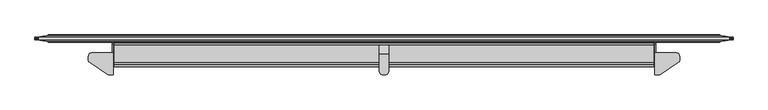
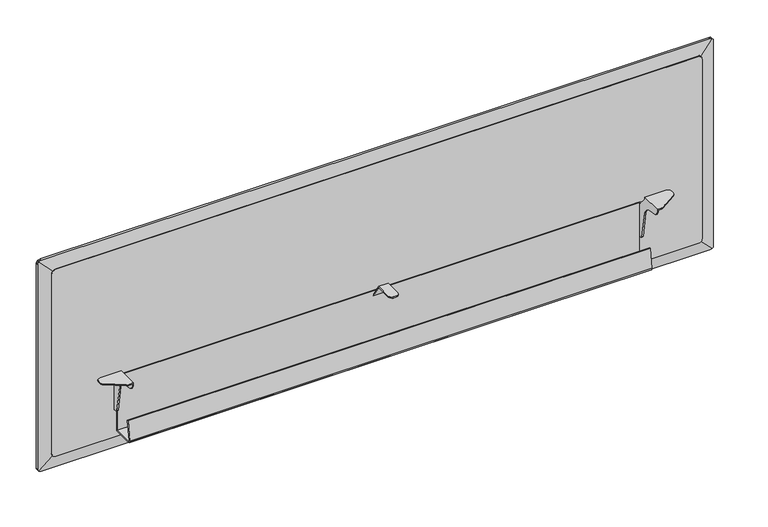
"""IFC4 building model written with IfcOpenShell, lengths in millimetres: furniture geometry."""

import ifcopenshell
import ifcopenshell.guid

model = None  # the IFC model being written
_history = None  # IfcOwnerHistory: only IFC2X3 demands one
_inside = {}  # id of a spatial element -> (the spatial element, [elements in it])
_under = {}  # id of a project, library or spatial element -> (it, [spatial elements below it])
_declared = {}  # id of a project -> (the project, [libraries it declares])
_typed = {}  # id of a type object -> (the type object, [elements of that type])
_made_of = {}  # id of a material, layer set ... -> (it, [elements and type objects made of it])


def new_model(schema):
    """Start an empty IFC model of exactly this schema.

    Asked for "IFC4X3", IfcOpenShell would pick the latest addendum, in which some entities
    have other attributes; the version numbers below select the first issue.
    IFC2X3 requires an IfcOwnerHistory on every rooted entity: one is made here for all.
    """
    global model, _history
    if schema == "IFC4X3":
        model = ifcopenshell.file(schema_version=(4, 3, 0, 0))
    else:
        model = ifcopenshell.file(schema=schema)
    _inside.clear()
    _under.clear()
    _declared.clear()
    _typed.clear()
    _made_of.clear()
    _history = None
    if model.schema == "IFC2X3":
        org = make("IfcOrganization", Name="unknown")
        user = make(
            "IfcPersonAndOrganization",
            ThePerson=make("IfcPerson", FamilyName="unknown"),
            TheOrganization=org,
        )
        app = make(
            "IfcApplication",
            ApplicationDeveloper=org,
            Version="unknown",
            ApplicationFullName="unknown",
            ApplicationIdentifier="unknown",
        )
        _history = make(
            "IfcOwnerHistory",
            OwningUser=user,
            OwningApplication=app,
            ChangeAction="ADDED",
            CreationDate=0,
        )
    return model


def make(cls, **values):
    """One entity of the class cls with the attributes given. An attribute that is None is left unset."""
    return model.create_entity(
        cls, **{name: value for name, value in values.items() if value is not None}
    )


def rooted(cls, **values):
    """An entity with a GlobalId (a new one), such as an element, a storey or a relation."""
    return make(cls, GlobalId=ifcopenshell.guid.new(), OwnerHistory=_history, **values)


def si_unit(unit_type, name, prefix=None):
    """IfcSIUnit, for example si_unit("LENGTHUNIT", "METRE", prefix="MILLI")."""
    return make("IfcSIUnit", UnitType=unit_type, Prefix=prefix, Name=name)


def assignment(units):
    """IfcUnitAssignment: the units of a project."""
    return None if units is None else make("IfcUnitAssignment", Units=units)


def point(xyz):
    """IfcCartesianPoint."""
    return None if xyz is None else make("IfcCartesianPoint", Coordinates=xyz)


def direction(xyz):
    """IfcDirection."""
    return None if xyz is None else make("IfcDirection", DirectionRatios=xyz)


def frame(location, z_axis=None, x_axis=None):
    """IfcAxis2Placement3D, a coordinate frame: its origin and axes. An axis left out is left unset."""
    return make(
        "IfcAxis2Placement3D",
        Location=point(location),
        Axis=direction(z_axis),
        RefDirection=direction(x_axis),
    )


def origin():
    """The frame at (0, 0, 0) with its axes left unset."""
    return frame((0.0, 0.0, 0.0))


def place(relative_to, where):
    """IfcLocalPlacement: puts the frame where relative to a parent placement (None: the world)."""
    return make(
        "IfcLocalPlacement", PlacementRelTo=relative_to, RelativePlacement=where
    )


def context(
    kind, dimensions, precision=None, world=None, true_north=None, identifier=None
):
    """IfcGeometricRepresentationContext, for example the 3D "Model" context."""
    return make(
        "IfcGeometricRepresentationContext",
        ContextIdentifier=identifier,
        ContextType=kind,
        CoordinateSpaceDimension=dimensions,
        Precision=precision,
        WorldCoordinateSystem=world,
        TrueNorth=true_north,
    )


def project(units=None, contexts=None):
    """IfcProject with its units and contexts."""
    return rooted(
        "IfcProject",
        Name="project",
        RepresentationContexts=contexts,
        UnitsInContext=assignment(units),
    )


def spatial(cls, under=None, at=None, **own):
    """A site, building, storey or space (cls), placed at a placement, below another one or the project."""
    s = rooted(cls, ObjectPlacement=at, **own)
    if under is not None:
        _under.setdefault(under.id(), (under, []))[1].append(s)
    return s


def polyline(points):
    """IfcPolyline through the points."""
    return make("IfcPolyline", Points=[point(p) for p in points])


def outline(outer, holes=None, kind="AREA"):
    """IfcArbitraryClosedProfileDef: a profile drawn as a closed curve; with holes, ...WithVoids."""
    if holes is None:
        return make("IfcArbitraryClosedProfileDef", ProfileType=kind, OuterCurve=outer)
    return make(
        "IfcArbitraryProfileDefWithVoids",
        ProfileType=kind,
        OuterCurve=outer,
        InnerCurves=holes,
    )


def extrude(swept, where, along, depth):
    """IfcExtrudedAreaSolid: the profile swept, set in the frame where, extruded along a direction by depth."""
    return make(
        "IfcExtrudedAreaSolid",
        SweptArea=swept,
        Position=where,
        ExtrudedDirection=direction(along),
        Depth=depth,
    )


def faces_of(points, faces, orient=None, outer=None):
    """IfcFace entities. A face is a list of loops; a loop is a list of indices into points, from 0.

    orient and outer hold one flag for each loop. By default every Orientation is true, the
    first loop of a face is its IfcFaceOuterBound and the others are IfcFaceBound.
    """
    made = []
    for i, loops in enumerate(faces):
        bounds = []
        for j, loop in enumerate(loops):
            is_outer = j == 0 if outer is None else outer[i][j]
            bounds.append(
                make(
                    "IfcFaceOuterBound" if is_outer else "IfcFaceBound",
                    Bound=make("IfcPolyLoop", Polygon=[points[k] for k in loop]),
                    Orientation=True if orient is None else orient[i][j],
                )
            )
        made.append(make("IfcFace", Bounds=bounds))
    return made


def faceted_brep(points, faces, orient=None, outer=None, voids=None):
    """IfcFacetedBrep: a solid bounded by flat faces; with voids (closed shells), ...WithVoids."""
    shared = [point(p) for p in points]
    hull = make("IfcClosedShell", CfsFaces=faces_of(shared, faces, orient, outer))
    if voids is None:
        return make("IfcFacetedBrep", Outer=hull)
    return make(
        "IfcFacetedBrepWithVoids",
        Outer=hull,
        Voids=[
            make(cls, CfsFaces=faces_of(shared, fs, o, b)) for cls, fs, o, b in voids
        ],
    )


def shape(context_of_items, identifier, shape_type, items):
    """IfcShapeRepresentation: the items that make up one representation, for example the "Body"."""
    return make(
        "IfcShapeRepresentation",
        ContextOfItems=context_of_items,
        RepresentationIdentifier=identifier,
        RepresentationType=shape_type,
        Items=items,
    )


def source(mapping_origin, context_of_items, identifier, shape_type, items):
    """IfcRepresentationMap: a shape defined once, which mapped items show again and again."""
    return make(
        "IfcRepresentationMap",
        MappingOrigin=mapping_origin,
        MappedRepresentation=shape(context_of_items, identifier, shape_type, items),
    )


def transform(
    local_origin,
    x_axis=None,
    y_axis=None,
    z_axis=None,
    scale=None,
    scale2=None,
    scale3=None,
    uniform=True,
):
    """IfcCartesianTransformationOperator3D, or its non-uniform kind. x_axis, y_axis, z_axis: its Axis1, 2, 3."""
    if uniform:
        return make(
            "IfcCartesianTransformationOperator3D",
            Axis1=direction(x_axis),
            Axis2=direction(y_axis),
            LocalOrigin=point(local_origin),
            Scale=scale,
            Axis3=direction(z_axis),
        )
    return make(
        "IfcCartesianTransformationOperator3DnonUniform",
        Axis1=direction(x_axis),
        Axis2=direction(y_axis),
        LocalOrigin=point(local_origin),
        Scale=scale,
        Axis3=direction(z_axis),
        Scale2=scale2,
        Scale3=scale3,
    )


def mapped(mapping_source, mapping_target):
    """IfcMappedItem: shows the shape of a source again, moved by a transform."""
    return make(
        "IfcMappedItem", MappingSource=mapping_source, MappingTarget=mapping_target
    )


def made_of(thing, what):
    """Note that an element or type object is made of a material, layer set ...; save() writes the relation."""
    if what is not None:
        _made_of.setdefault(what.id(), (what, []))[1].append(thing)
    return thing


def element(
    cls,
    number,
    at=None,
    inside=None,
    cuts=None,
    type_object=None,
    material=None,
    context=None,
    identifier="Body",
    shape_type=None,
    held_by="IfcProductDefinitionShape",
    body=None,
    shapes=None,
    **own,
):
    """One element of the class cls, such as IfcWall. Its Tag is "e" and its number.

    at: its placement. inside: the storey or other place that contains it. cuts: it is an
    opening in that element (IfcRelVoidsElement). A single representation is given by context,
    identifier, shape_type and body (its items); several are given by shapes. held_by: the class
    of the entity that holds the representations. save() writes the other relations.
    """
    e = rooted(cls, Tag="e%d" % number, ObjectPlacement=at, **own)
    if body is not None:
        shapes = [shape(context, identifier, shape_type, body)]
    if shapes is not None:
        e.Representation = make(held_by, Representations=shapes)
    if inside is not None:
        _inside.setdefault(inside.id(), (inside, []))[1].append(e)
    if cuts is not None:
        rooted(
            "IfcRelVoidsElement", RelatingBuildingElement=cuts, RelatedOpeningElement=e
        )
    if type_object is not None:
        _typed.setdefault(type_object.id(), (type_object, []))[1].append(e)
    return made_of(e, material)


def aggregate(whole, parts):
    """IfcRelAggregates: a whole, such as a stair, and the parts it consists of."""
    return rooted("IfcRelAggregates", RelatingObject=whole, RelatedObjects=parts)


def save(model, path):
    """Write the relations noted so far, then the file.

    IfcRelAggregates (storeys below a building ...), IfcRelContainedInSpatialStructure (elements
    in a storey), IfcRelDefinesByType, IfcRelAssociatesMaterial and IfcRelDeclares: one each for
    every whole, place, type object, material and project.
    """
    for whole, parts in _under.values():
        aggregate(whole, parts)
    for where, things in _inside.values():
        rooted(
            "IfcRelContainedInSpatialStructure",
            RelatedElements=things,
            RelatingStructure=where,
        )
    for kind, things in _typed.values():
        rooted("IfcRelDefinesByType", RelatedObjects=things, RelatingType=kind)
    for what, things in _made_of.values():
        rooted("IfcRelAssociatesMaterial", RelatedObjects=things, RelatingMaterial=what)
    for by, libraries in _declared.values():
        rooted("IfcRelDeclares", RelatingContext=by, RelatedDefinitions=libraries)
    model.write(path)


def furniture_41eeae60(model_context):
    return source(origin(), model_context, "Body", "SolidModel", [
        faceted_brep([(1678.6859978, -47.2440001, 703.2318954), (1621.9170065, -47.2440001, 703.2318954), (1621.9170065, -103.8860008, 703.2318954), (1633.0202986, -103.8860008, 703.2318954), (1634.8649535, -103.7056703, 703.2318954), (1636.6397543, -103.1715187, 703.2318954), (1638.2774996, -102.3037619, 703.2318954), (1683.9431987, -72.0782948, 703.2318954), (1686.2257901, -69.955943, 703.2318954), (1687.7010453, -67.2103598, 703.2318954), (1688.2109978, -64.1355338, 703.2318954), (1688.2109978, -56.7690004, 703.2318954), (1686.9348948, -52.0064998, 703.2318954), (1683.4484978, -48.520108, 703.2318954), (1621.9170065, -103.8860008, 695.6004571), (1624.9649945, -103.8860008, 695.6004571), (1624.9649945, -103.8860008, 700.1838983), (1633.0202986, -103.8860008, 700.1838983), (1624.9649945, -19.05, 578.009924), (1612.1380068, -19.05, 578.009924), (1607.3755068, -19.05, 579.2860452), (1603.8891098, -19.05, 582.772424), (1602.6130068, -19.05, 587.534924), (1602.6130068, -19.05, 663.7348876), (1603.8891098, -19.05, 668.4973876), (1607.3755068, -19.05, 671.9838027), (1612.1380068, -19.05, 673.2598876), (1624.9649945, -19.05, 673.2598876), (1624.9649945, -47.2440001, 700.1838983), (1678.6859978, -47.2440001, 700.1838983), (1683.4484978, -48.520108, 700.1838983), (1686.9348948, -52.0064998, 700.1838983), (1688.2109978, -56.7690004, 700.1838983), (1688.2109978, -64.1355338, 700.1838983), (1687.7010453, -67.2103598, 700.1838983), (1686.2257901, -69.955943, 700.1838983), (1683.9431987, -72.0782948, 700.1838983), (1638.2774996, -102.3037619, 700.1838983), (1636.6397543, -103.1715187, 700.1838983), (1634.8649535, -103.7056703, 700.1838983), (1624.9649945, -102.535134, 689.9007324), (1624.9649945, -98.769916, 685.4135063), (1624.9649945, -93.3913335, 683.0934444), (1624.9649945, -67.1971565, 678.4746856), (1624.9649945, -57.6502931, 674.6819665), (1624.9649945, -50.386431, 667.418093), (1624.9649945, -46.5937042, 657.8712194), (1624.9649945, -33.4372464, 583.2572418), (1624.9649945, -32.2771995, 580.56798), (1624.9649945, -30.0335922, 578.6853551), (1624.9649945, -27.1837173, 578.009924), (1624.9649945, -24.1299997, 673.2598876), (1624.9649945, -47.2440001, 698.1519002), (1621.9170065, -47.2440001, 698.1519002), (1621.9170065, -24.1299997, 673.2598876), (1612.1380068, -22.0979994, 673.2598876), (1621.9170065, -22.0979994, 673.2598876), (1621.9170065, -98.769916, 685.4135063), (1621.9170065, -93.3913335, 683.0934444), (1621.9170065, -102.535134, 689.9007324), (1621.9170065, -27.1837173, 578.009924), (1621.9170065, -22.0979994, 578.009924), (1612.1380068, -22.0979994, 578.009924), (1621.9170065, -30.0335922, 578.6853551), (1621.9170065, -32.2771995, 580.56798), (1621.9170065, -33.4372464, 583.2572418), (1621.9170065, -46.5937042, 657.8712194), (1621.9170065, -50.386431, 667.418093), (1621.9170065, -57.6502931, 674.6819665), (1621.9170065, -67.1971565, 678.4746856), (1607.3755068, -22.0979994, 671.9838027), (1603.8891098, -22.0979994, 668.4973876), (1602.6130068, -22.0979994, 663.7348876), (1602.6130068, -22.0979994, 587.534924), (1603.8891098, -22.0979994, 582.772424), (1607.3755068, -22.0979994, 579.2860452)], [[[0, 1, 2, 3, 4, 5, 6, 7, 8, 9, 10, 11, 12, 13]], [[3, 2, 14, 15, 16, 17]], [[18, 19, 20, 21, 22, 23, 24, 25, 26, 27]], [[28, 29, 30, 31, 32, 33, 34, 35, 36, 37, 38, 39, 17, 16]], [[16, 15, 40, 41, 42, 43, 44, 45, 46, 47, 48, 49, 50, 18, 27, 51, 52, 28]], [[29, 28, 52, 53, 1, 0]], [[13, 30, 29, 0]], [[12, 31, 30, 13]], [[11, 32, 31, 12]], [[10, 33, 32, 11]], [[9, 34, 33, 10]], [[8, 35, 34, 9]], [[7, 36, 35, 8]], [[6, 37, 36, 7]], [[5, 38, 37, 6]], [[4, 39, 38, 5]], [[3, 17, 39, 4]], [[51, 54, 53, 52]], [[27, 26, 55, 56, 54, 51]], [[41, 57, 58, 42]], [[40, 59, 57, 41]], [[15, 14, 59, 40]], [[50, 60, 61, 62, 19, 18]], [[49, 63, 60, 50]], [[48, 64, 63, 49]], [[47, 65, 64, 48]], [[46, 66, 65, 47]], [[45, 67, 66, 46]], [[44, 68, 67, 45]], [[43, 69, 68, 44]], [[42, 58, 69, 43]], [[61, 60, 63, 64, 65, 66, 67, 68, 69, 58, 57, 59, 14, 2, 1, 53, 54, 56]], [[56, 55, 70, 71, 72, 73, 74, 75, 62, 61]], [[70, 55, 26, 25]], [[25, 24, 71, 70]], [[24, 23, 72, 71]], [[23, 22, 73, 72]], [[22, 21, 74, 73]], [[21, 20, 75, 74]], [[20, 19, 62, 75]]]),
        faceted_brep([(911.2249879, -22.0979994, 576.2815516), (917.575, -22.0979994, 576.2815516), (922.3375, -22.0979994, 577.5576729), (923.3027027, -22.0979994, 578.5228756), (905.4972852, -22.0979994, 578.5228756), (906.4624879, -22.0979994, 577.5576729), (925.8238788, -22.0979994, 581.0440516), (926.0825067, -22.0979994, 582.0092544), (902.7174812, -22.0979994, 582.0092544), (902.9761091, -22.0979994, 581.0440516), (927.0999879, -22.0979994, 586.7717544), (901.6999879, -22.0979994, 586.7717544), (901.6999879, -22.0979994, 585.8065516), (927.0999879, -22.0979994, 585.8065064), (927.0999879, -22.0979994, 656.5709459), (901.6999879, -22.0979994, 656.5709459), (927.0999879, -49.7950483, 699.4207287), (901.6999879, -49.7950483, 699.4207287), (927.0999879, -94.4880459, 699.4207287), (925.8238788, -99.2505007, 699.4207287), (922.3375, -102.7368931, 699.4207287), (918.7416142, -103.7004075, 699.4207287), (910.0583736, -103.7004075, 699.4207287), (906.4624879, -102.7368931, 699.4207287), (902.9761091, -99.2505007, 699.4207287), (901.6999879, -94.4880007, 699.4207287), (901.6999879, -48.7171998, 702.4687258), (927.0999879, -48.7171998, 702.4687258), (927.0999879, -19.05, 656.5709459), (901.6999879, -19.05, 656.5709459), (901.6999879, -94.4880007, 702.4687258), (902.9761091, -99.2505007, 702.4687258), (906.4624879, -102.7368931, 702.4687258), (910.0583736, -103.7004075, 702.4687258), (918.7416142, -103.7004075, 702.4687258), (922.3375, -102.7368931, 702.4687258), (925.8238788, -99.2505007, 702.4687258), (927.0999879, -94.4880459, 702.4687258), (911.2249879, -19.05, 576.2815516), (917.575, -19.05, 576.2815516), (927.0999879, -19.05, 585.8065064), (925.8238788, -19.05, 581.0440516), (922.3375, -19.05, 577.5576729), (906.4624879, -19.05, 577.5576729), (902.9761091, -19.05, 581.0440516), (901.6999879, -19.05, 585.8065516)], [[[0, 1, 2, 3, 4, 5]], [[4, 3, 6, 7, 8, 9]], [[10, 11, 12, 8, 7, 13]], [[11, 10, 14, 15]], [[15, 14, 16, 17]], [[17, 16, 18, 19, 20, 21, 22, 23, 24, 25]], [[26, 27, 28, 29]], [[27, 26, 30, 31, 32, 33, 34, 35, 36, 37]], [[38, 39, 1, 0]], [[29, 28, 40, 41, 42, 39, 38, 43, 44, 45]], [[11, 15, 17, 25, 30, 26, 29, 45, 12]], [[14, 10, 13, 40, 28, 27, 37, 18, 16]], [[6, 41, 40, 13, 7]], [[41, 6, 3, 2, 42]], [[42, 2, 1, 39]], [[5, 43, 38, 0]], [[43, 5, 4, 9, 44]], [[44, 9, 8, 12, 45]], [[36, 19, 18, 37]], [[19, 36, 35, 20]], [[20, 35, 34, 21]], [[21, 34, 33, 22]], [[22, 33, 32, 23]], [[23, 32, 31, 24]], [[24, 31, 30, 25]]]),
        faceted_brep([(150.1140022, -47.2440001, 703.2318954), (145.3515022, -48.520108, 703.2318954), (141.8651052, -52.0064998, 703.2318954), (140.5890022, -56.7690004, 703.2318954), (140.5890022, -64.1355338, 703.2318954), (141.0989547, -67.2103598, 703.2318954), (142.5742099, -69.955943, 703.2318954), (144.8568013, -72.0782948, 703.2318954), (190.5225004, -102.3037619, 703.2318954), (192.1602457, -103.1715187, 703.2318954), (193.9350465, -103.7056703, 703.2318954), (195.7797014, -103.8860008, 703.2318954), (206.8829935, -103.8860008, 703.2318954), (206.8829935, -47.2440001, 703.2318954), (195.7797014, -103.8860008, 700.1838983), (203.8350055, -103.8860008, 700.1838983), (203.8350055, -103.8860008, 695.6004571), (206.8829935, -103.8860008, 695.6004571), (203.8350055, -19.05, 578.009924), (203.8350055, -19.05, 673.2598876), (216.6619932, -19.05, 673.2598876), (221.4244932, -19.05, 671.9838027), (224.9108902, -19.05, 668.4973876), (226.1869932, -19.05, 663.7348876), (226.1869932, -19.05, 587.534924), (224.9108902, -19.05, 582.772424), (221.4244932, -19.05, 579.2860452), (216.6619932, -19.05, 578.009924), (203.8350055, -47.2440001, 700.1838983), (193.9350465, -103.7056703, 700.1838983), (192.1602457, -103.1715187, 700.1838983), (190.5225004, -102.3037619, 700.1838983), (144.8568013, -72.0782948, 700.1838983), (142.5742099, -69.955943, 700.1838983), (141.0989547, -67.2103598, 700.1838983), (140.5890022, -64.1355338, 700.1838983), (140.5890022, -56.7690004, 700.1838983), (141.8651052, -52.0064998, 700.1838983), (145.3515022, -48.520108, 700.1838983), (150.1140022, -47.2440001, 700.1838983), (203.8350055, -47.2440001, 698.1519002), (203.8350055, -24.1299997, 673.2598876), (203.8350055, -27.1837173, 578.009924), (203.8350055, -30.0335922, 578.6853551), (203.8350055, -32.2771995, 580.56798), (203.8350055, -33.4372464, 583.2572418), (203.8350055, -46.5937042, 657.8712194), (203.8350055, -50.386431, 667.418093), (203.8350055, -57.6502931, 674.6819665), (203.8350055, -67.1971565, 678.4746856), (203.8350055, -93.3913335, 683.0934444), (203.8350055, -98.769916, 685.4135063), (203.8350055, -102.535134, 689.9007324), (206.8829935, -47.2440001, 698.1519002), (206.8829935, -24.1299997, 673.2598876), (206.8829935, -22.0979994, 673.2598876), (216.6619932, -22.0979994, 673.2598876), (206.8829935, -93.3913335, 683.0934444), (206.8829935, -98.769916, 685.4135063), (206.8829935, -102.535134, 689.9007324), (216.6619932, -22.0979994, 578.009924), (206.8829935, -22.0979994, 578.009924), (206.8829935, -27.1837173, 578.009924), (206.8829935, -30.0335922, 578.6853551), (206.8829935, -32.2771995, 580.56798), (206.8829935, -33.4372464, 583.2572418), (206.8829935, -46.5937042, 657.8712194), (206.8829935, -50.386431, 667.418093), (206.8829935, -57.6502931, 674.6819665), (206.8829935, -67.1971565, 678.4746856), (221.4244932, -22.0979994, 579.2860452), (224.9108902, -22.0979994, 582.772424), (226.1869932, -22.0979994, 587.534924), (226.1869932, -22.0979994, 663.7348876), (224.9108902, -22.0979994, 668.4973876), (221.4244932, -22.0979994, 671.9838027)], [[[0, 1, 2, 3, 4, 5, 6, 7, 8, 9, 10, 11, 12, 13]], [[11, 14, 15, 16, 17, 12]], [[18, 19, 20, 21, 22, 23, 24, 25, 26, 27]], [[28, 15, 14, 29, 30, 31, 32, 33, 34, 35, 36, 37, 38, 39]], [[15, 28, 40, 41, 19, 18, 42, 43, 44, 45, 46, 47, 48, 49, 50, 51, 52, 16]], [[39, 0, 13, 53, 40, 28]], [[1, 0, 39, 38]], [[2, 1, 38, 37]], [[3, 2, 37, 36]], [[4, 3, 36, 35]], [[5, 4, 35, 34]], [[6, 5, 34, 33]], [[7, 6, 33, 32]], [[8, 7, 32, 31]], [[9, 8, 31, 30]], [[10, 9, 30, 29]], [[11, 10, 29, 14]], [[41, 40, 53, 54]], [[19, 41, 54, 55, 56, 20]], [[51, 50, 57, 58]], [[52, 51, 58, 59]], [[16, 52, 59, 17]], [[42, 18, 27, 60, 61, 62]], [[43, 42, 62, 63]], [[44, 43, 63, 64]], [[45, 44, 64, 65]], [[46, 45, 65, 66]], [[47, 46, 66, 67]], [[48, 47, 67, 68]], [[49, 48, 68, 69]], [[50, 49, 69, 57]], [[61, 55, 54, 53, 13, 12, 17, 59, 58, 57, 69, 68, 67, 66, 65, 64, 63, 62]], [[55, 61, 60, 70, 71, 72, 73, 74, 75, 56]], [[75, 21, 20, 56]], [[21, 75, 74, 22]], [[22, 74, 73, 23]], [[23, 73, 72, 24]], [[24, 72, 71, 25]], [[25, 71, 70, 26]], [[26, 70, 60, 27]]]),
        extrude(outline(polyline([(-22.2259803, 516.3833061), (-77.4051408, 516.3833061), (-80.8321751, 517.3659924), (-83.1908324, 520.0793173), (-83.6878951, 523.6161021), (-76.1664074, 577.1342685), (-73.0276067, 576.6931389), (-80.5557387, 523.1276965), (-80.3126746, 521.3982054), (-79.1365997, 520.0452861), (-77.4094889, 519.5500451), (-25.3867342, 519.5500451), (-25.3867342, 675.2348745), (-22.2259803, 675.2348745), (-22.2259803, 516.3833061)])), frame((209.2706021, 0.0, 0.0), z_axis=(1.0, 0.0, 0.0), x_axis=(0.0, 1.0, 0.0)), (0.0, 0.0, 1.0), 1410.2587656),
        extrude(outline(polyline([(1032.002, 1781.9178925), (1032.002, 46.8257121), (1031.3159549, 43.184392), (1030.2278673, 40.7952556), (1028.9466955, 39.2079102), (1027.0346029, 37.7230447), (1024.7089454, 36.7081476), (1022.0517493, 36.322), (508.4958553, 36.322), (505.8386592, 36.7081476), (503.5130017, 37.7230447), (501.6009091, 39.2079102), (500.3197373, 40.7952556), (499.2316497, 43.184392), (498.602, 46.5263823), (498.602, 1782.2172223), (499.2316497, 1785.5592125), (500.3197373, 1787.9483489), (501.6009091, 1789.5356944), (503.5130017, 1791.0205599), (505.8386592, 1792.035457), (508.8839288, 1792.478), (1021.6636758, 1792.478), (1024.7089454, 1792.035457), (1027.0346029, 1791.0205599), (1028.9466955, 1789.5356944), (1030.2278673, 1787.9483489), (1031.3159549, 1785.5592125), (1032.002, 1781.9178925)])), frame((0.0, -19.05, 0.0), z_axis=(0.0, 1.0, 0.0), x_axis=(0.0, 0.0, 1.0)), (0.0, 0.0, 1.0), 19.05),
        faceted_brep([(1789.2466046, -1.27, 501.8333954), (1789.2466046, -1.27, 1028.7706046), (1824.3341432, -6.201232, 1063.8581432), (1825.8749553, -6.417779, 1061.8740069), (1826.8898524, -6.5604135, 1059.5483494), (1827.276, -6.614683, 1056.8911533), (1827.276, -6.614683, 473.7128467), (1826.8898524, -6.5604135, 471.0556506), (1825.8749553, -6.417779, 468.7299931), (1824.3341432, -6.201232, 466.7458568), (1789.2466046, -17.78, 1028.7706046), (1789.2466046, -17.78, 501.8333954), (1824.3341432, -12.5994806, 466.7458568), (1825.8749553, -12.3719865, 468.7299931), (1826.8898524, -12.2221415, 471.0556506), (1827.276, -12.1651285, 473.7128467), (1827.276, -12.1651285, 1056.8911533), (1826.8898524, -12.2221415, 1059.5483494), (1825.8749553, -12.3719865, 1061.8740069), (1824.3341432, -12.5994806, 1063.8581432), (39.5533954, -1.27, 501.8333954), (1822.8027444, -6.3711638, 465.5367287), (1820.413608, -6.5240846, 464.4486411), (1816.9920479, -6.614683, 463.804), (11.8079521, -6.614683, 463.804), (8.386392, -6.5240846, 464.4486411), (5.9972556, -6.3711638, 465.5367287), (4.479154, -6.1989614, 466.7620127), (39.5533954, -17.78, 501.8333954), (4.4658568, -12.5994806, 466.7458568), (5.9972556, -12.4209582, 465.5367287), (8.386392, -12.2603069, 464.4486411), (11.8079521, -12.1651285, 463.804), (1816.9920479, -12.1651285, 463.804), (1820.413608, -12.2603069, 464.4486411), (1822.8027444, -12.4209582, 465.5367287), (39.5533954, -1.27, 1028.7706046), (2.9250447, -6.417779, 468.7299931), (1.9101476, -6.5604135, 471.0556506), (1.524, -6.614683, 473.7128467), (1.524, -6.614683, 1056.8911533), (1.9101476, -6.5604135, 1059.5483494), (2.9250447, -6.417779, 1061.8740069), (4.4658568, -6.201232, 1063.8581432), (39.5533954, -17.78, 1028.7706046), (4.4658568, -12.5994806, 1063.8581432), (2.9250447, -12.3719865, 1061.8740069), (1.9101476, -12.2221415, 1059.5483494), (1.524, -12.1651285, 1056.8911533), (1.524, -12.1651285, 473.7128467), (1.9101476, -12.2221415, 471.0556506), (2.9250447, -12.3719865, 468.7299931), (5.9972556, -6.3711638, 1065.0672713), (8.386392, -6.5240846, 1066.1553589), (11.8079521, -6.614683, 1066.8), (1816.9920479, -6.614683, 1066.8), (1820.413608, -6.5240846, 1066.1553589), (1822.8027444, -6.3711638, 1065.0672713), (1822.8027444, -12.4209582, 1065.0672713), (1820.413608, -12.2603069, 1066.1553589), (1816.9920479, -12.1651285, 1066.8), (11.8079521, -12.1651285, 1066.8), (8.386392, -12.2603069, 1066.1553589), (5.9972556, -12.4209582, 1065.0672713)], [[[0, 1, 2, 3, 4, 5, 6, 7, 8, 9]], [[10, 11, 12, 13, 14, 15, 16, 17, 18, 19]], [[20, 0, 9, 21, 22, 23, 24, 25, 26, 27]], [[11, 28, 29, 30, 31, 32, 33, 34, 35, 12]], [[36, 20, 27, 37, 38, 39, 40, 41, 42, 43]], [[28, 44, 45, 46, 47, 48, 49, 50, 51, 29]], [[1, 36, 43, 52, 53, 54, 55, 56, 57, 2]], [[44, 10, 19, 58, 59, 60, 61, 62, 63, 45]], [[1, 0, 11, 10]], [[0, 20, 28, 11]], [[20, 36, 44, 28]], [[36, 1, 10, 44]], [[5, 16, 15, 6]], [[23, 33, 32, 24]], [[48, 40, 39, 49]], [[54, 61, 60, 55]], [[41, 47, 46, 42]], [[45, 43, 42, 46]], [[43, 45, 63, 52]], [[52, 63, 62, 53]], [[53, 62, 61, 54]], [[47, 41, 40, 48]], [[3, 18, 17, 4]], [[2, 19, 18, 3]], [[19, 2, 57, 58]], [[58, 57, 56, 59]], [[59, 56, 55, 60]], [[4, 17, 16, 5]], [[7, 14, 13, 8]], [[12, 9, 8, 13]], [[9, 12, 35, 21]], [[21, 35, 34, 22]], [[22, 34, 33, 23]], [[14, 7, 6, 15]], [[37, 51, 50, 38]], [[27, 29, 51, 37]], [[29, 27, 26, 30]], [[30, 26, 25, 31]], [[31, 25, 24, 32]], [[38, 50, 49, 39]]]),
    ])


if __name__ == "__main__":
    model = new_model("IFC4")
    model_context = context("Model", 3, world=origin())
    ifc_project = project(units=[si_unit("LENGTHUNIT", "METRE", prefix="MILLI")], contexts=[model_context])
    site = spatial("IfcSite", under=ifc_project)
    building = spatial("IfcBuilding", under=site)
    placement = place(None, origin())
    furniture_shape = furniture_41eeae60(model_context)
    element("IfcFurniture", 1, at=placement, inside=building, context=model_context, shape_type="MappedRepresentation", body=[
        mapped(furniture_shape, transform((0.0, 0.0, 0.0), x_axis=(1.0, 0.0, 0.0), y_axis=(0.0, 1.0, 0.0), z_axis=(0.0, 0.0, 1.0))),
    ])
    save(model, "model.ifc")
